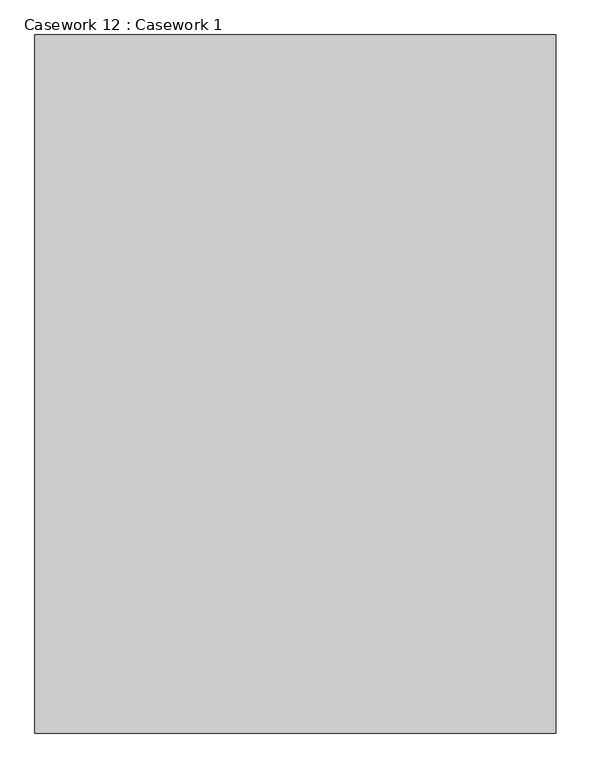
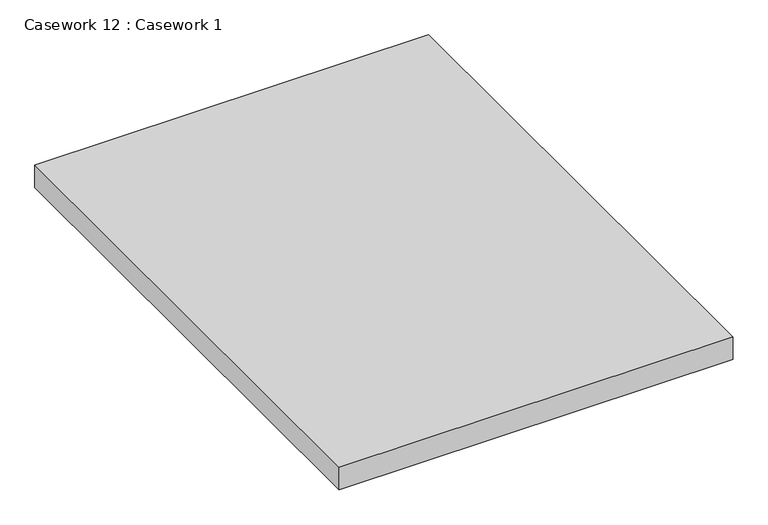
"""IFC4 building model written with IfcOpenShell, lengths in millimetres: furniture geometry, Casework 12 : Casework 1."""

import ifcopenshell
import ifcopenshell.guid

model = None  # the IFC model being written
_history = None  # IfcOwnerHistory: only IFC2X3 demands one
_inside = {}  # id of a spatial element -> (the spatial element, [elements in it])
_under = {}  # id of a project, library or spatial element -> (it, [spatial elements below it])
_declared = {}  # id of a project -> (the project, [libraries it declares])
_typed = {}  # id of a type object -> (the type object, [elements of that type])
_made_of = {}  # id of a material, layer set ... -> (it, [elements and type objects made of it])


def new_model(schema):
    """Start an empty IFC model of exactly this schema.

    Asked for "IFC4X3", IfcOpenShell would pick the latest addendum, in which some entities
    have other attributes; the version numbers below select the first issue.
    IFC2X3 requires an IfcOwnerHistory on every rooted entity: one is made here for all.
    """
    global model, _history
    if schema == "IFC4X3":
        model = ifcopenshell.file(schema_version=(4, 3, 0, 0))
    else:
        model = ifcopenshell.file(schema=schema)
    _inside.clear()
    _under.clear()
    _declared.clear()
    _typed.clear()
    _made_of.clear()
    _history = None
    if model.schema == "IFC2X3":
        org = make("IfcOrganization", Name="unknown")
        user = make(
            "IfcPersonAndOrganization",
            ThePerson=make("IfcPerson", FamilyName="unknown"),
            TheOrganization=org,
        )
        app = make(
            "IfcApplication",
            ApplicationDeveloper=org,
            Version="unknown",
            ApplicationFullName="unknown",
            ApplicationIdentifier="unknown",
        )
        _history = make(
            "IfcOwnerHistory",
            OwningUser=user,
            OwningApplication=app,
            ChangeAction="ADDED",
            CreationDate=0,
        )
    return model


def make(cls, **values):
    """One entity of the class cls with the attributes given. An attribute that is None is left unset."""
    return model.create_entity(
        cls, **{name: value for name, value in values.items() if value is not None}
    )


def rooted(cls, **values):
    """An entity with a GlobalId (a new one), such as an element, a storey or a relation."""
    return make(cls, GlobalId=ifcopenshell.guid.new(), OwnerHistory=_history, **values)


def si_unit(unit_type, name, prefix=None):
    """IfcSIUnit, for example si_unit("LENGTHUNIT", "METRE", prefix="MILLI")."""
    return make("IfcSIUnit", UnitType=unit_type, Prefix=prefix, Name=name)


def assignment(units):
    """IfcUnitAssignment: the units of a project."""
    return None if units is None else make("IfcUnitAssignment", Units=units)


def point(xyz):
    """IfcCartesianPoint."""
    return None if xyz is None else make("IfcCartesianPoint", Coordinates=xyz)


def direction(xyz):
    """IfcDirection."""
    return None if xyz is None else make("IfcDirection", DirectionRatios=xyz)


def frame(location, z_axis=None, x_axis=None):
    """IfcAxis2Placement3D, a coordinate frame: its origin and axes. An axis left out is left unset."""
    return make(
        "IfcAxis2Placement3D",
        Location=point(location),
        Axis=direction(z_axis),
        RefDirection=direction(x_axis),
    )


def origin():
    """The frame at (0, 0, 0) with its axes left unset."""
    return frame((0.0, 0.0, 0.0))


def place(relative_to, where):
    """IfcLocalPlacement: puts the frame where relative to a parent placement (None: the world)."""
    return make(
        "IfcLocalPlacement", PlacementRelTo=relative_to, RelativePlacement=where
    )


def context(
    kind, dimensions, precision=None, world=None, true_north=None, identifier=None
):
    """IfcGeometricRepresentationContext, for example the 3D "Model" context."""
    return make(
        "IfcGeometricRepresentationContext",
        ContextIdentifier=identifier,
        ContextType=kind,
        CoordinateSpaceDimension=dimensions,
        Precision=precision,
        WorldCoordinateSystem=world,
        TrueNorth=true_north,
    )


def project(units=None, contexts=None):
    """IfcProject with its units and contexts."""
    return rooted(
        "IfcProject",
        Name="project",
        RepresentationContexts=contexts,
        UnitsInContext=assignment(units),
    )


def spatial(cls, under=None, at=None, **own):
    """A site, building, storey or space (cls), placed at a placement, below another one or the project."""
    s = rooted(cls, ObjectPlacement=at, **own)
    if under is not None:
        _under.setdefault(under.id(), (under, []))[1].append(s)
    return s


def polyline(points):
    """IfcPolyline through the points."""
    return make("IfcPolyline", Points=[point(p) for p in points])


def outline(outer, holes=None, kind="AREA"):
    """IfcArbitraryClosedProfileDef: a profile drawn as a closed curve; with holes, ...WithVoids."""
    if holes is None:
        return make("IfcArbitraryClosedProfileDef", ProfileType=kind, OuterCurve=outer)
    return make(
        "IfcArbitraryProfileDefWithVoids",
        ProfileType=kind,
        OuterCurve=outer,
        InnerCurves=holes,
    )


def extrude(swept, where, along, depth):
    """IfcExtrudedAreaSolid: the profile swept, set in the frame where, extruded along a direction by depth."""
    return make(
        "IfcExtrudedAreaSolid",
        SweptArea=swept,
        Position=where,
        ExtrudedDirection=direction(along),
        Depth=depth,
    )


def shape(context_of_items, identifier, shape_type, items):
    """IfcShapeRepresentation: the items that make up one representation, for example the "Body"."""
    return make(
        "IfcShapeRepresentation",
        ContextOfItems=context_of_items,
        RepresentationIdentifier=identifier,
        RepresentationType=shape_type,
        Items=items,
    )


def source(mapping_origin, context_of_items, identifier, shape_type, items):
    """IfcRepresentationMap: a shape defined once, which mapped items show again and again."""
    return make(
        "IfcRepresentationMap",
        MappingOrigin=mapping_origin,
        MappedRepresentation=shape(context_of_items, identifier, shape_type, items),
    )


def transform(
    local_origin,
    x_axis=None,
    y_axis=None,
    z_axis=None,
    scale=None,
    scale2=None,
    scale3=None,
    uniform=True,
):
    """IfcCartesianTransformationOperator3D, or its non-uniform kind. x_axis, y_axis, z_axis: its Axis1, 2, 3."""
    if uniform:
        return make(
            "IfcCartesianTransformationOperator3D",
            Axis1=direction(x_axis),
            Axis2=direction(y_axis),
            LocalOrigin=point(local_origin),
            Scale=scale,
            Axis3=direction(z_axis),
        )
    return make(
        "IfcCartesianTransformationOperator3DnonUniform",
        Axis1=direction(x_axis),
        Axis2=direction(y_axis),
        LocalOrigin=point(local_origin),
        Scale=scale,
        Axis3=direction(z_axis),
        Scale2=scale2,
        Scale3=scale3,
    )


def mapped(mapping_source, mapping_target):
    """IfcMappedItem: shows the shape of a source again, moved by a transform."""
    return make(
        "IfcMappedItem", MappingSource=mapping_source, MappingTarget=mapping_target
    )


def made_of(thing, what):
    """Note that an element or type object is made of a material, layer set ...; save() writes the relation."""
    if what is not None:
        _made_of.setdefault(what.id(), (what, []))[1].append(thing)
    return thing


def element(
    cls,
    number,
    at=None,
    inside=None,
    cuts=None,
    type_object=None,
    material=None,
    context=None,
    identifier="Body",
    shape_type=None,
    held_by="IfcProductDefinitionShape",
    body=None,
    shapes=None,
    **own,
):
    """One element of the class cls, such as IfcWall. Its Tag is "e" and its number.

    at: its placement. inside: the storey or other place that contains it. cuts: it is an
    opening in that element (IfcRelVoidsElement). A single representation is given by context,
    identifier, shape_type and body (its items); several are given by shapes. held_by: the class
    of the entity that holds the representations. save() writes the other relations.
    """
    e = rooted(cls, Tag="e%d" % number, ObjectPlacement=at, **own)
    if body is not None:
        shapes = [shape(context, identifier, shape_type, body)]
    if shapes is not None:
        e.Representation = make(held_by, Representations=shapes)
    if inside is not None:
        _inside.setdefault(inside.id(), (inside, []))[1].append(e)
    if cuts is not None:
        rooted(
            "IfcRelVoidsElement", RelatingBuildingElement=cuts, RelatedOpeningElement=e
        )
    if type_object is not None:
        _typed.setdefault(type_object.id(), (type_object, []))[1].append(e)
    return made_of(e, material)


def aggregate(whole, parts):
    """IfcRelAggregates: a whole, such as a stair, and the parts it consists of."""
    return rooted("IfcRelAggregates", RelatingObject=whole, RelatedObjects=parts)


def save(model, path):
    """Write the relations noted so far, then the file.

    IfcRelAggregates (storeys below a building ...), IfcRelContainedInSpatialStructure (elements
    in a storey), IfcRelDefinesByType, IfcRelAssociatesMaterial and IfcRelDeclares: one each for
    every whole, place, type object, material and project.
    """
    for whole, parts in _under.values():
        aggregate(whole, parts)
    for where, things in _inside.values():
        rooted(
            "IfcRelContainedInSpatialStructure",
            RelatedElements=things,
            RelatingStructure=where,
        )
    for kind, things in _typed.values():
        rooted("IfcRelDefinesByType", RelatedObjects=things, RelatingType=kind)
    for what, things in _made_of.values():
        rooted("IfcRelAssociatesMaterial", RelatedObjects=things, RelatingMaterial=what)
    for by, libraries in _declared.values():
        rooted("IfcRelDeclares", RelatingContext=by, RelatedDefinitions=libraries)
    model.write(path)


def casework_12_casework_1_36eed0ea(model_context):
    return source(origin(), model_context, "Body", "SweptSolid", [
        extrude(outline(polyline([(-148797.7204249, -69794.33944), (-148797.7204249, -71002.81702), (-149699.4204249, -71002.81702), (-149699.4204249, -69794.33944), (-148797.7204249, -69794.33944)])), frame((0.0, 0.0, 697.520712), z_axis=(0.0, 0.0, 1.0), x_axis=(1.0, 0.0, 0.0)), (0.0, 0.0, 1.0), 54.1581791),
    ])


if __name__ == "__main__":
    model = new_model("IFC4")
    model_context = context("Model", 3, world=origin())
    ifc_project = project(units=[si_unit("LENGTHUNIT", "METRE", prefix="MILLI")], contexts=[model_context])
    site = spatial("IfcSite", under=ifc_project)
    building = spatial("IfcBuilding", under=site)
    placement = place(None, origin())
    casework_12_casework_1_shape = casework_12_casework_1_36eed0ea(model_context)
    element("IfcFurniture", 1, ObjectType="Casework 12 : Casework 1", at=placement, inside=building, context=model_context, shape_type="MappedRepresentation", body=[
        mapped(casework_12_casework_1_shape, transform((0.0, 0.0, 0.0), x_axis=(1.0, 0.0, 0.0), y_axis=(0.0, 1.0, 0.0), z_axis=(0.0, 0.0, 1.0))),
    ])
    save(model, "model.ifc")
